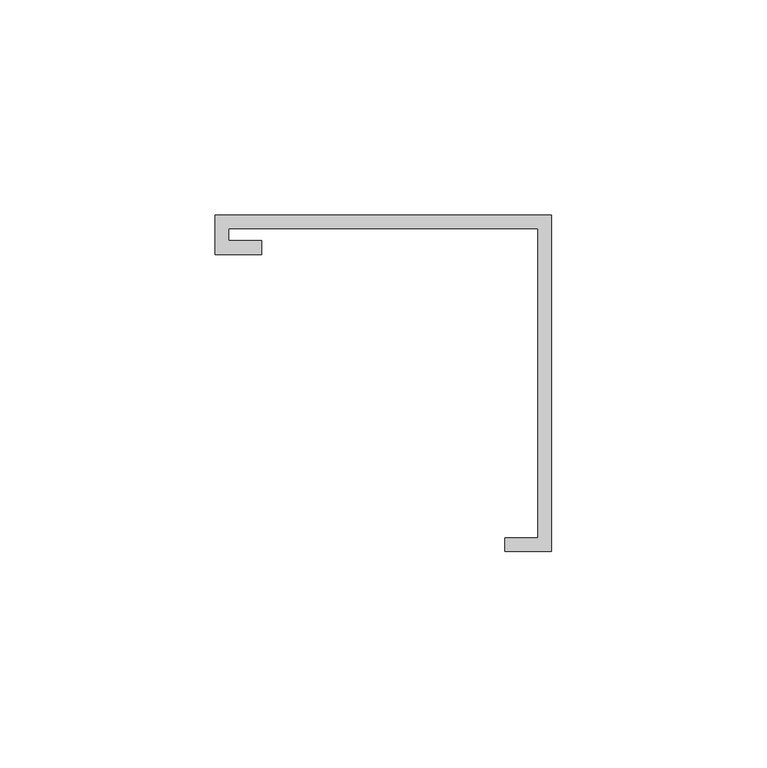
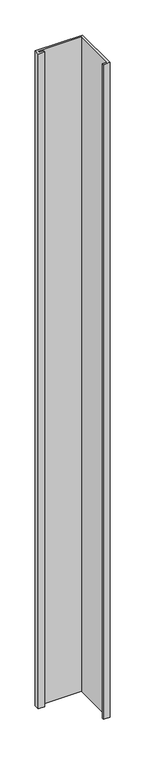
"""IFC4 building model written with IfcOpenShell, lengths in millimetres: furniture geometry."""

from ifc_helpers import new_model, si_unit, frame, origin, place, context, project, spatial, polyline, outline, extrude, source, transform, mapped, element, save


def furniture_c2484048(model_context):
    return source(origin(), model_context, "Body", "SweptSolid", [
        extrude(outline(polyline([(-39.0921875, 29.9735875), (-39.0921875, 39.0921875), (39.0921875, 39.0921875), (39.0921875, -39.0921875), (28.2971875, -39.0921875), (28.2971875, -35.9171875), (35.9171875, -35.9171875), (35.9171875, 35.9171875), (-35.9171875, 35.9171875), (-35.9171875, 33.1485875), (-28.2971875, 33.1485875), (-28.2971875, 29.9735875), (-39.0921875, 29.9735875)])), frame((0.0, 0.0, 1157.2875), z_axis=(0.0, 0.0, 1.0), x_axis=(1.0, 0.0, 0.0)), (0.0, 0.0, 1.0), 1136.0546875),
    ])


if __name__ == "__main__":
    model = new_model("IFC4")
    model_context = context("Model", 3, world=origin())
    ifc_project = project(units=[si_unit("LENGTHUNIT", "METRE", prefix="MILLI")], contexts=[model_context])
    site = spatial("IfcSite", under=ifc_project)
    building = spatial("IfcBuilding", under=site)
    placement = place(None, origin())
    furniture_shape = furniture_c2484048(model_context)
    element("IfcFurniture", 1, at=placement, inside=building, context=model_context, shape_type="MappedRepresentation", body=[
        mapped(furniture_shape, transform((0.0, 0.0, 0.0), x_axis=(1.0, 0.0, 0.0), y_axis=(0.0, 1.0, 0.0), z_axis=(0.0, 0.0, 1.0))),
    ])
    save(model, "model.ifc")
